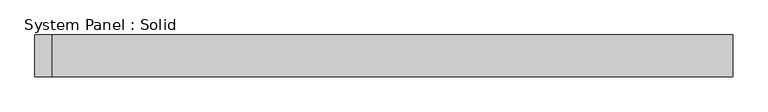
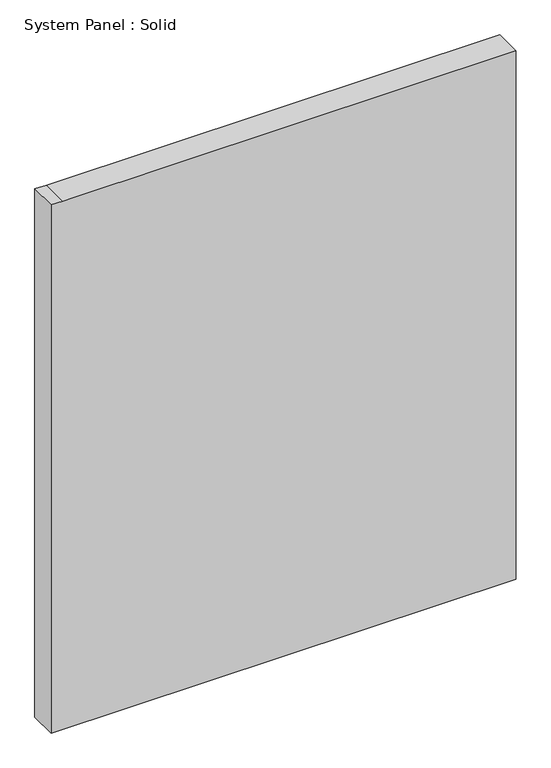
"""IFC4 building model written with IfcOpenShell, lengths in millimetres: plate geometry, System Panel : Solid."""

import ifcopenshell
import ifcopenshell.guid

model = None  # the IFC model being written
_history = None  # IfcOwnerHistory: only IFC2X3 demands one
_inside = {}  # id of a spatial element -> (the spatial element, [elements in it])
_under = {}  # id of a project, library or spatial element -> (it, [spatial elements below it])
_declared = {}  # id of a project -> (the project, [libraries it declares])
_typed = {}  # id of a type object -> (the type object, [elements of that type])
_made_of = {}  # id of a material, layer set ... -> (it, [elements and type objects made of it])


def new_model(schema):
    """Start an empty IFC model of exactly this schema.

    Asked for "IFC4X3", IfcOpenShell would pick the latest addendum, in which some entities
    have other attributes; the version numbers below select the first issue.
    IFC2X3 requires an IfcOwnerHistory on every rooted entity: one is made here for all.
    """
    global model, _history
    if schema == "IFC4X3":
        model = ifcopenshell.file(schema_version=(4, 3, 0, 0))
    else:
        model = ifcopenshell.file(schema=schema)
    _inside.clear()
    _under.clear()
    _declared.clear()
    _typed.clear()
    _made_of.clear()
    _history = None
    if model.schema == "IFC2X3":
        org = make("IfcOrganization", Name="unknown")
        user = make(
            "IfcPersonAndOrganization",
            ThePerson=make("IfcPerson", FamilyName="unknown"),
            TheOrganization=org,
        )
        app = make(
            "IfcApplication",
            ApplicationDeveloper=org,
            Version="unknown",
            ApplicationFullName="unknown",
            ApplicationIdentifier="unknown",
        )
        _history = make(
            "IfcOwnerHistory",
            OwningUser=user,
            OwningApplication=app,
            ChangeAction="ADDED",
            CreationDate=0,
        )
    return model


def make(cls, **values):
    """One entity of the class cls with the attributes given. An attribute that is None is left unset."""
    return model.create_entity(
        cls, **{name: value for name, value in values.items() if value is not None}
    )


def rooted(cls, **values):
    """An entity with a GlobalId (a new one), such as an element, a storey or a relation."""
    return make(cls, GlobalId=ifcopenshell.guid.new(), OwnerHistory=_history, **values)


def si_unit(unit_type, name, prefix=None):
    """IfcSIUnit, for example si_unit("LENGTHUNIT", "METRE", prefix="MILLI")."""
    return make("IfcSIUnit", UnitType=unit_type, Prefix=prefix, Name=name)


def assignment(units):
    """IfcUnitAssignment: the units of a project."""
    return None if units is None else make("IfcUnitAssignment", Units=units)


def point(xyz):
    """IfcCartesianPoint."""
    return None if xyz is None else make("IfcCartesianPoint", Coordinates=xyz)


def direction(xyz):
    """IfcDirection."""
    return None if xyz is None else make("IfcDirection", DirectionRatios=xyz)


def frame(location, z_axis=None, x_axis=None):
    """IfcAxis2Placement3D, a coordinate frame: its origin and axes. An axis left out is left unset."""
    return make(
        "IfcAxis2Placement3D",
        Location=point(location),
        Axis=direction(z_axis),
        RefDirection=direction(x_axis),
    )


def origin():
    """The frame at (0, 0, 0) with its axes left unset."""
    return frame((0.0, 0.0, 0.0))


def place(relative_to, where):
    """IfcLocalPlacement: puts the frame where relative to a parent placement (None: the world)."""
    return make(
        "IfcLocalPlacement", PlacementRelTo=relative_to, RelativePlacement=where
    )


def context(
    kind, dimensions, precision=None, world=None, true_north=None, identifier=None
):
    """IfcGeometricRepresentationContext, for example the 3D "Model" context."""
    return make(
        "IfcGeometricRepresentationContext",
        ContextIdentifier=identifier,
        ContextType=kind,
        CoordinateSpaceDimension=dimensions,
        Precision=precision,
        WorldCoordinateSystem=world,
        TrueNorth=true_north,
    )


def project(units=None, contexts=None):
    """IfcProject with its units and contexts."""
    return rooted(
        "IfcProject",
        Name="project",
        RepresentationContexts=contexts,
        UnitsInContext=assignment(units),
    )


def spatial(cls, under=None, at=None, **own):
    """A site, building, storey or space (cls), placed at a placement, below another one or the project."""
    s = rooted(cls, ObjectPlacement=at, **own)
    if under is not None:
        _under.setdefault(under.id(), (under, []))[1].append(s)
    return s


def polyline(points):
    """IfcPolyline through the points."""
    return make("IfcPolyline", Points=[point(p) for p in points])


def outline(outer, holes=None, kind="AREA"):
    """IfcArbitraryClosedProfileDef: a profile drawn as a closed curve; with holes, ...WithVoids."""
    if holes is None:
        return make("IfcArbitraryClosedProfileDef", ProfileType=kind, OuterCurve=outer)
    return make(
        "IfcArbitraryProfileDefWithVoids",
        ProfileType=kind,
        OuterCurve=outer,
        InnerCurves=holes,
    )


def extrude(swept, where, along, depth):
    """IfcExtrudedAreaSolid: the profile swept, set in the frame where, extruded along a direction by depth."""
    return make(
        "IfcExtrudedAreaSolid",
        SweptArea=swept,
        Position=where,
        ExtrudedDirection=direction(along),
        Depth=depth,
    )


def shape(context_of_items, identifier, shape_type, items):
    """IfcShapeRepresentation: the items that make up one representation, for example the "Body"."""
    return make(
        "IfcShapeRepresentation",
        ContextOfItems=context_of_items,
        RepresentationIdentifier=identifier,
        RepresentationType=shape_type,
        Items=items,
    )


def source(mapping_origin, context_of_items, identifier, shape_type, items):
    """IfcRepresentationMap: a shape defined once, which mapped items show again and again."""
    return make(
        "IfcRepresentationMap",
        MappingOrigin=mapping_origin,
        MappedRepresentation=shape(context_of_items, identifier, shape_type, items),
    )


def transform(
    local_origin,
    x_axis=None,
    y_axis=None,
    z_axis=None,
    scale=None,
    scale2=None,
    scale3=None,
    uniform=True,
):
    """IfcCartesianTransformationOperator3D, or its non-uniform kind. x_axis, y_axis, z_axis: its Axis1, 2, 3."""
    if uniform:
        return make(
            "IfcCartesianTransformationOperator3D",
            Axis1=direction(x_axis),
            Axis2=direction(y_axis),
            LocalOrigin=point(local_origin),
            Scale=scale,
            Axis3=direction(z_axis),
        )
    return make(
        "IfcCartesianTransformationOperator3DnonUniform",
        Axis1=direction(x_axis),
        Axis2=direction(y_axis),
        LocalOrigin=point(local_origin),
        Scale=scale,
        Axis3=direction(z_axis),
        Scale2=scale2,
        Scale3=scale3,
    )


def mapped(mapping_source, mapping_target):
    """IfcMappedItem: shows the shape of a source again, moved by a transform."""
    return make(
        "IfcMappedItem", MappingSource=mapping_source, MappingTarget=mapping_target
    )


def made_of(thing, what):
    """Note that an element or type object is made of a material, layer set ...; save() writes the relation."""
    if what is not None:
        _made_of.setdefault(what.id(), (what, []))[1].append(thing)
    return thing


def element(
    cls,
    number,
    at=None,
    inside=None,
    cuts=None,
    type_object=None,
    material=None,
    context=None,
    identifier="Body",
    shape_type=None,
    held_by="IfcProductDefinitionShape",
    body=None,
    shapes=None,
    **own,
):
    """One element of the class cls, such as IfcWall. Its Tag is "e" and its number.

    at: its placement. inside: the storey or other place that contains it. cuts: it is an
    opening in that element (IfcRelVoidsElement). A single representation is given by context,
    identifier, shape_type and body (its items); several are given by shapes. held_by: the class
    of the entity that holds the representations. save() writes the other relations.
    """
    e = rooted(cls, Tag="e%d" % number, ObjectPlacement=at, **own)
    if body is not None:
        shapes = [shape(context, identifier, shape_type, body)]
    if shapes is not None:
        e.Representation = make(held_by, Representations=shapes)
    if inside is not None:
        _inside.setdefault(inside.id(), (inside, []))[1].append(e)
    if cuts is not None:
        rooted(
            "IfcRelVoidsElement", RelatingBuildingElement=cuts, RelatedOpeningElement=e
        )
    if type_object is not None:
        _typed.setdefault(type_object.id(), (type_object, []))[1].append(e)
    return made_of(e, material)


def aggregate(whole, parts):
    """IfcRelAggregates: a whole, such as a stair, and the parts it consists of."""
    return rooted("IfcRelAggregates", RelatingObject=whole, RelatedObjects=parts)


def save(model, path):
    """Write the relations noted so far, then the file.

    IfcRelAggregates (storeys below a building ...), IfcRelContainedInSpatialStructure (elements
    in a storey), IfcRelDefinesByType, IfcRelAssociatesMaterial and IfcRelDeclares: one each for
    every whole, place, type object, material and project.
    """
    for whole, parts in _under.values():
        aggregate(whole, parts)
    for where, things in _inside.values():
        rooted(
            "IfcRelContainedInSpatialStructure",
            RelatedElements=things,
            RelatingStructure=where,
        )
    for kind, things in _typed.values():
        rooted("IfcRelDefinesByType", RelatedObjects=things, RelatingType=kind)
    for what, things in _made_of.values():
        rooted("IfcRelAssociatesMaterial", RelatedObjects=things, RelatingMaterial=what)
    for by, libraries in _declared.values():
        rooted("IfcRelDeclares", RelatingContext=by, RelatedDefinitions=libraries)
    model.write(path)


def system_panel_solid_b8e546aa(model_context):
    return source(origin(), model_context, "Body", "SweptSolid", [
        extrude(outline(polyline([(0.0, -500.0), (0.0, 500.0), (1200.0, 500.0), (1200.0, -475.0), (1200.0, -500.0), (0.0, -500.0)])), frame((0.0, -10.5, 0.0), z_axis=(0.0, 1.0, 0.0), x_axis=(0.0, 0.0, 1.0)), (0.0, 0.0, 1.0), 60.0),
    ])


if __name__ == "__main__":
    model = new_model("IFC4")
    model_context = context("Model", 3, world=origin())
    ifc_project = project(units=[si_unit("LENGTHUNIT", "METRE", prefix="MILLI")], contexts=[model_context])
    site = spatial("IfcSite", under=ifc_project)
    building = spatial("IfcBuilding", under=site)
    placement = place(None, origin())
    system_panel_solid_shape = system_panel_solid_b8e546aa(model_context)
    element("IfcPlate", 1, ObjectType="System Panel : Solid", at=placement, inside=building, context=model_context, shape_type="MappedRepresentation", body=[
        mapped(system_panel_solid_shape, transform((0.0, 0.0, 0.0), x_axis=(1.0, 0.0, 0.0), y_axis=(0.0, 1.0, 0.0), z_axis=(0.0, 0.0, 1.0))),
    ])
    save(model, "model.ifc")
